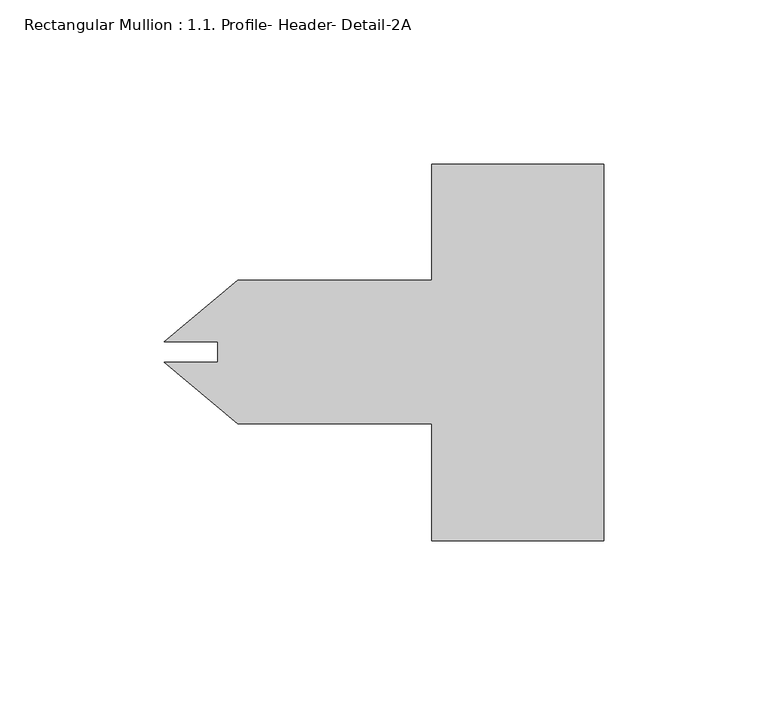
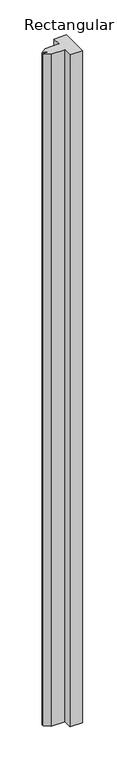
"""IFC4 building model written with IfcOpenShell, lengths in millimetres: member geometry, Rectangular Mullion : 1.1. Profile- Header- Detail-2A."""

from ifc_helpers import new_model, si_unit, frame, origin, place, context, project, spatial, polyline, outline, extrude, source, transform, mapped, element, save


def rectangular_mullion_1_1_profile_header_detail_2a_24514529(model_context):
    return source(origin(), model_context, "Body", "SweptSolid", [
        extrude(outline(polyline([(-133.7662944, 3.1620621), (-111.4414868, 21.8948), (-52.3875, 21.8948), (-52.3875, 57.15), (0.0, 57.15), (0.0, -57.5183), (-52.3875, -57.5183), (-52.3875, -21.8948), (-111.4414868, -21.8948), (-133.7662944, -3.1620621), (-117.4877, -3.1620621), (-117.4877, 3.1620621), (-133.7662944, 3.1620621)])), frame((0.0, 0.0, -2984.5), z_axis=(0.0, 0.0, 1.0), x_axis=(1.0, 0.0, 0.0)), (0.0, 0.0, 1.0), 2984.5),
    ])


if __name__ == "__main__":
    model = new_model("IFC4")
    model_context = context("Model", 3, world=origin())
    ifc_project = project(units=[si_unit("LENGTHUNIT", "METRE", prefix="MILLI")], contexts=[model_context])
    site = spatial("IfcSite", under=ifc_project)
    building = spatial("IfcBuilding", under=site)
    placement = place(None, origin())
    rectangular_mullion_1_1_profile_header_detail_2a_shape = rectangular_mullion_1_1_profile_header_detail_2a_24514529(model_context)
    element("IfcMember", 1, ObjectType="Rectangular Mullion : 1.1. Profile- Header- Detail-2A", at=placement, inside=building, context=model_context, shape_type="MappedRepresentation", body=[
        mapped(rectangular_mullion_1_1_profile_header_detail_2a_shape, transform((0.0, 0.0, 0.0), x_axis=(1.0, 0.0, 0.0), y_axis=(0.0, 1.0, 0.0), z_axis=(0.0, 0.0, 1.0))),
    ])
    save(model, "model.ifc")
